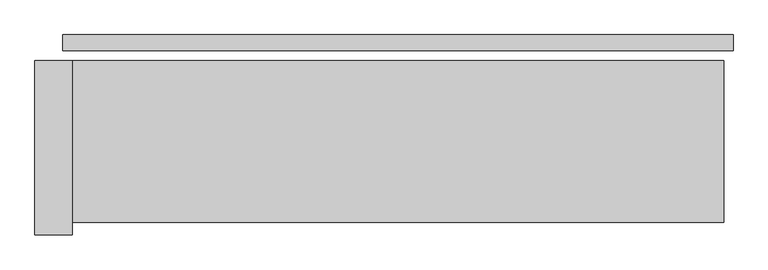
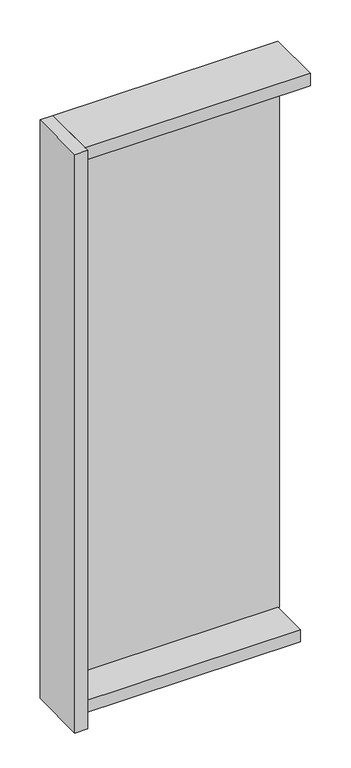
"""IFC4 building model written with IfcOpenShell, lengths in millimetres: plate geometry."""

from ifc_helpers import new_model, si_unit, frame, origin, origin_with_axes, place, context, project, spatial, polyline, outline, extrude, source, transform, mapped, element, save


def plate_eb365833(model_context):
    return source(origin(), model_context, "Body", "SweptSolid", [
        extrude(outline(polyline([(536.7804486, 0.0), (536.7804486, -25.0), (-536.7804486, -25.0), (-536.7804486, 0.0), (536.7804486, 0.0)])), origin_with_axes(), (0.0, 0.0, 1.0), 2742.0),
        extrude(outline(polyline([(-521.7804486, -41.0), (-521.7804486, -321.0), (-581.7804486, -321.0), (-581.7804486, -41.0), (-521.7804486, -41.0)])), frame((0.0, 0.0, -45.0), z_axis=(0.0, 0.0, 1.0), x_axis=(1.0, 0.0, 0.0)), (0.0, 0.0, 1.0), 2832.0),
        extrude(outline(polyline([(521.7804486, -221.0), (-521.7804486, -221.0), (-521.7804486, -41.0), (521.7804486, -41.0), (521.7804486, -221.0)])), frame((0.0, 0.0, -45.0), z_axis=(0.0, 0.0, 1.0), x_axis=(1.0, 0.0, 0.0)), (0.0, 0.0, 1.0), 60.0),
        extrude(outline(polyline([(521.7804486, -41.0), (521.7804486, -301.0), (-521.7804486, -301.0), (-521.7804486, -41.0), (521.7804486, -41.0)])), frame((0.0, 0.0, 2727.0), z_axis=(0.0, 0.0, 1.0), x_axis=(1.0, 0.0, 0.0)), (0.0, 0.0, 1.0), 60.0),
    ])


if __name__ == "__main__":
    model = new_model("IFC4")
    model_context = context("Model", 3, world=origin())
    ifc_project = project(units=[si_unit("LENGTHUNIT", "METRE", prefix="MILLI")], contexts=[model_context])
    site = spatial("IfcSite", under=ifc_project)
    building = spatial("IfcBuilding", under=site)
    placement = place(None, origin())
    plate_shape = plate_eb365833(model_context)
    element("IfcPlate", 1, at=placement, inside=building, context=model_context, shape_type="MappedRepresentation", body=[
        mapped(plate_shape, transform((0.0, 0.0, 0.0), x_axis=(1.0, 0.0, 0.0), y_axis=(0.0, 1.0, 0.0), z_axis=(0.0, 0.0, 1.0))),
    ])
    save(model, "model.ifc")
